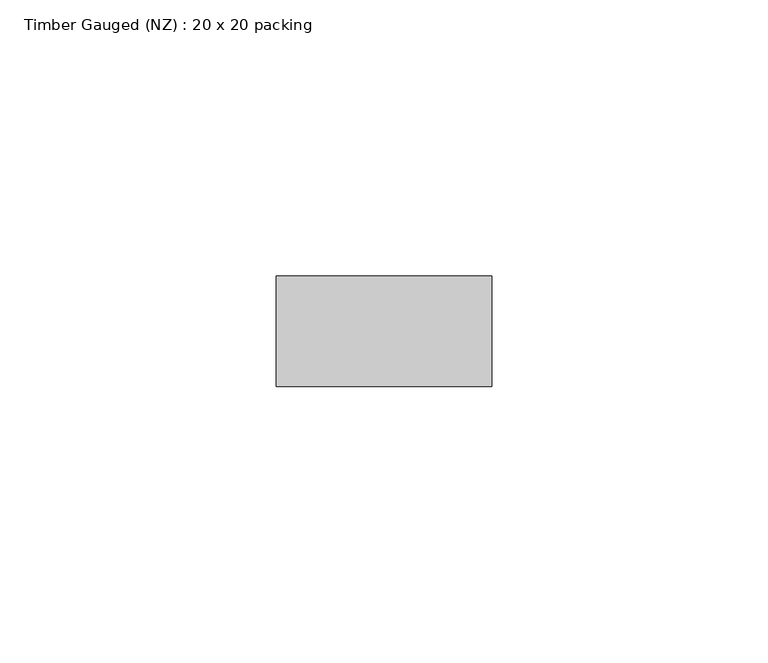
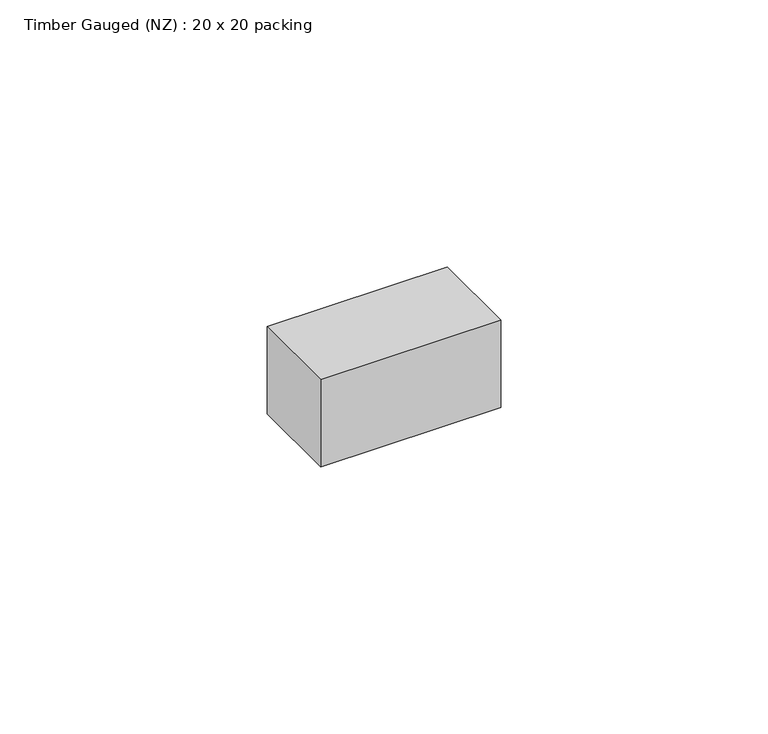
"""IFC4 building model written with IfcOpenShell, lengths in millimetres: beam geometry, Timber Gauged (NZ) : 20 x 20 packing."""

from ifc_helpers import new_model, si_unit, frame, origin, place, context, project, spatial, polyline, outline, extrude, source, transform, mapped, element, save


def timber_gauged_nz_20_x_20_packing_57518ed7(model_context):
    return source(origin(), model_context, "Body", "SweptSolid", [
        extrude(outline(polyline([(20.0, 10.0), (20.0, -10.0), (-19.0, -10.0), (-19.0, 10.0), (20.0, 10.0)])), frame((0.0, 0.0, -10.0), z_axis=(0.0, 0.0, 1.0), x_axis=(1.0, 0.0, 0.0)), (0.0, 0.0, 1.0), 20.0),
    ])


if __name__ == "__main__":
    model = new_model("IFC4")
    model_context = context("Model", 3, world=origin())
    ifc_project = project(units=[si_unit("LENGTHUNIT", "METRE", prefix="MILLI")], contexts=[model_context])
    site = spatial("IfcSite", under=ifc_project)
    building = spatial("IfcBuilding", under=site)
    placement = place(None, origin())
    timber_gauged_nz_20_x_20_packing_shape = timber_gauged_nz_20_x_20_packing_57518ed7(model_context)
    element("IfcBeam", 1, ObjectType="Timber Gauged (NZ) : 20 x 20 packing", at=placement, inside=building, context=model_context, shape_type="MappedRepresentation", body=[
        mapped(timber_gauged_nz_20_x_20_packing_shape, transform((0.0, 0.0, 0.0), x_axis=(1.0, 0.0, 0.0), y_axis=(0.0, 1.0, 0.0), z_axis=(0.0, 0.0, 1.0))),
    ])
    save(model, "model.ifc")
